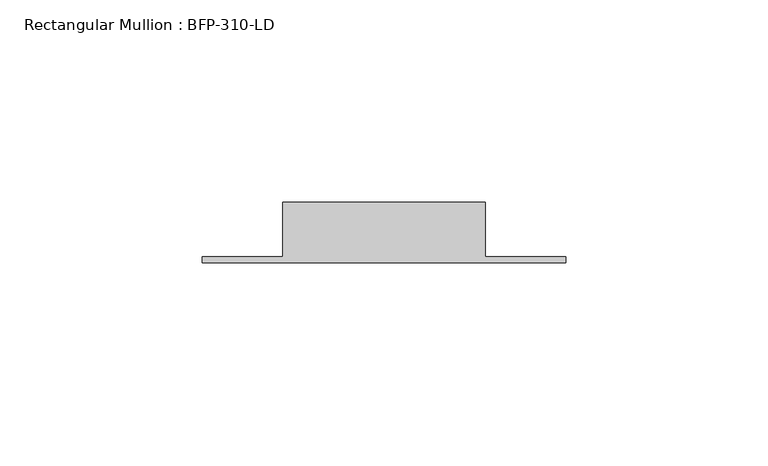
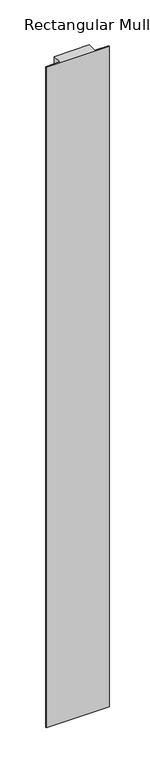
"""IFC4 building model written with IfcOpenShell, lengths in millimetres: member geometry, Rectangular Mullion : BFP-310-LD."""

from ifc_helpers import new_model, si_unit, frame, origin, place, context, project, spatial, polyline, outline, extrude, source, transform, mapped, element, save


def rectangular_mullion_bfp_310_ld_8bcea950(model_context):
    return source(origin(), model_context, "Body", "SweptSolid", [
        extrude(outline(polyline([(-25.0, 17.0), (25.0, 17.0), (25.0, 3.5), (45.0, 3.5), (45.0, 2.0), (-45.0, 2.0), (-45.0, 3.5), (-25.0, 3.5), (-25.0, 17.0)])), frame((0.0, 0.0, -1000.0), z_axis=(0.0, 0.0, 1.0), x_axis=(1.0, 0.0, 0.0)), (0.0, 0.0, 1.0), 1000.0),
    ])


if __name__ == "__main__":
    model = new_model("IFC4")
    model_context = context("Model", 3, world=origin())
    ifc_project = project(units=[si_unit("LENGTHUNIT", "METRE", prefix="MILLI")], contexts=[model_context])
    site = spatial("IfcSite", under=ifc_project)
    building = spatial("IfcBuilding", under=site)
    placement = place(None, origin())
    rectangular_mullion_bfp_310_ld_shape = rectangular_mullion_bfp_310_ld_8bcea950(model_context)
    element("IfcMember", 1, ObjectType="Rectangular Mullion : BFP-310-LD", at=placement, inside=building, context=model_context, shape_type="MappedRepresentation", body=[
        mapped(rectangular_mullion_bfp_310_ld_shape, transform((0.0, 0.0, 0.0), x_axis=(1.0, 0.0, 0.0), y_axis=(0.0, 1.0, 0.0), z_axis=(0.0, 0.0, 1.0))),
    ])
    save(model, "model.ifc")
